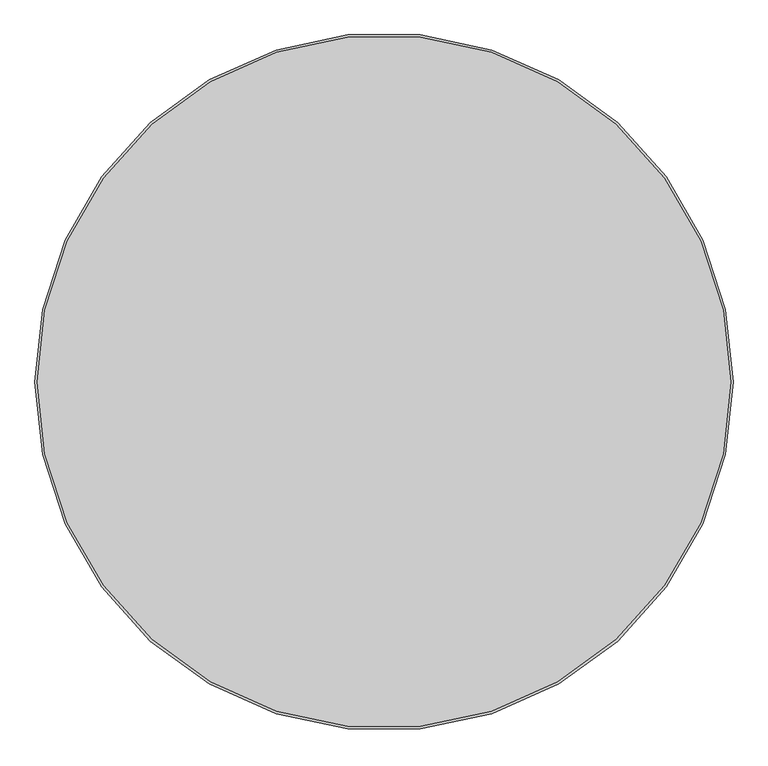
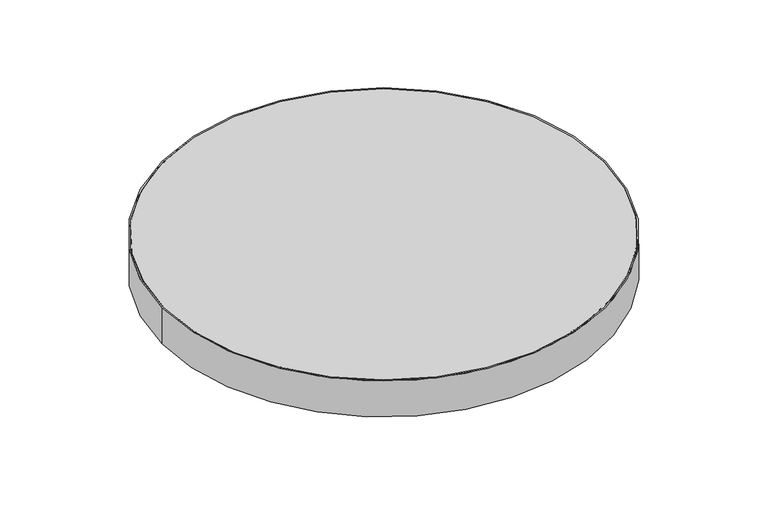
"""IFC4 building model written with IfcOpenShell, lengths in millimetres: proxy geometry."""

import ifcopenshell
import ifcopenshell.guid

model = None  # the IFC model being written
_history = None  # IfcOwnerHistory: only IFC2X3 demands one
_inside = {}  # id of a spatial element -> (the spatial element, [elements in it])
_under = {}  # id of a project, library or spatial element -> (it, [spatial elements below it])
_declared = {}  # id of a project -> (the project, [libraries it declares])
_typed = {}  # id of a type object -> (the type object, [elements of that type])
_made_of = {}  # id of a material, layer set ... -> (it, [elements and type objects made of it])


def new_model(schema):
    """Start an empty IFC model of exactly this schema.

    Asked for "IFC4X3", IfcOpenShell would pick the latest addendum, in which some entities
    have other attributes; the version numbers below select the first issue.
    IFC2X3 requires an IfcOwnerHistory on every rooted entity: one is made here for all.
    """
    global model, _history
    if schema == "IFC4X3":
        model = ifcopenshell.file(schema_version=(4, 3, 0, 0))
    else:
        model = ifcopenshell.file(schema=schema)
    _inside.clear()
    _under.clear()
    _declared.clear()
    _typed.clear()
    _made_of.clear()
    _history = None
    if model.schema == "IFC2X3":
        org = make("IfcOrganization", Name="unknown")
        user = make(
            "IfcPersonAndOrganization",
            ThePerson=make("IfcPerson", FamilyName="unknown"),
            TheOrganization=org,
        )
        app = make(
            "IfcApplication",
            ApplicationDeveloper=org,
            Version="unknown",
            ApplicationFullName="unknown",
            ApplicationIdentifier="unknown",
        )
        _history = make(
            "IfcOwnerHistory",
            OwningUser=user,
            OwningApplication=app,
            ChangeAction="ADDED",
            CreationDate=0,
        )
    return model


def make(cls, **values):
    """One entity of the class cls with the attributes given. An attribute that is None is left unset."""
    return model.create_entity(
        cls, **{name: value for name, value in values.items() if value is not None}
    )


def rooted(cls, **values):
    """An entity with a GlobalId (a new one), such as an element, a storey or a relation."""
    return make(cls, GlobalId=ifcopenshell.guid.new(), OwnerHistory=_history, **values)


def si_unit(unit_type, name, prefix=None):
    """IfcSIUnit, for example si_unit("LENGTHUNIT", "METRE", prefix="MILLI")."""
    return make("IfcSIUnit", UnitType=unit_type, Prefix=prefix, Name=name)


def assignment(units):
    """IfcUnitAssignment: the units of a project."""
    return None if units is None else make("IfcUnitAssignment", Units=units)


def point(xyz):
    """IfcCartesianPoint."""
    return None if xyz is None else make("IfcCartesianPoint", Coordinates=xyz)


def direction(xyz):
    """IfcDirection."""
    return None if xyz is None else make("IfcDirection", DirectionRatios=xyz)


def frame(location, z_axis=None, x_axis=None):
    """IfcAxis2Placement3D, a coordinate frame: its origin and axes. An axis left out is left unset."""
    return make(
        "IfcAxis2Placement3D",
        Location=point(location),
        Axis=direction(z_axis),
        RefDirection=direction(x_axis),
    )


def frame_2d(location, x_axis=None):
    """IfcAxis2Placement2D, a coordinate frame in the plane: its origin and x axis."""
    return make(
        "IfcAxis2Placement2D", Location=point(location), RefDirection=direction(x_axis)
    )


def origin():
    """The frame at (0, 0, 0) with its axes left unset."""
    return frame((0.0, 0.0, 0.0))


def origin_with_axes():
    """The frame at (0, 0, 0) with the z axis (0, 0, 1) and the x axis (1, 0, 0) written out."""
    return frame((0.0, 0.0, 0.0), z_axis=(0.0, 0.0, 1.0), x_axis=(1.0, 0.0, 0.0))


def origin_2d():
    """The frame at (0, 0) in the plane with its x axis left unset."""
    return frame_2d((0.0, 0.0))


def place(relative_to, where):
    """IfcLocalPlacement: puts the frame where relative to a parent placement (None: the world)."""
    return make(
        "IfcLocalPlacement", PlacementRelTo=relative_to, RelativePlacement=where
    )


def context(
    kind, dimensions, precision=None, world=None, true_north=None, identifier=None
):
    """IfcGeometricRepresentationContext, for example the 3D "Model" context."""
    return make(
        "IfcGeometricRepresentationContext",
        ContextIdentifier=identifier,
        ContextType=kind,
        CoordinateSpaceDimension=dimensions,
        Precision=precision,
        WorldCoordinateSystem=world,
        TrueNorth=true_north,
    )


def project(units=None, contexts=None):
    """IfcProject with its units and contexts."""
    return rooted(
        "IfcProject",
        Name="project",
        RepresentationContexts=contexts,
        UnitsInContext=assignment(units),
    )


def spatial(cls, under=None, at=None, **own):
    """A site, building, storey or space (cls), placed at a placement, below another one or the project."""
    s = rooted(cls, ObjectPlacement=at, **own)
    if under is not None:
        _under.setdefault(under.id(), (under, []))[1].append(s)
    return s


def polyline(points):
    """IfcPolyline through the points."""
    return make("IfcPolyline", Points=[point(p) for p in points])


def circle_curve(where, radius):
    """IfcCircle in the frame where."""
    return make("IfcCircle", Position=where, Radius=radius)


def trimmed(basis, trim1, trim2, sense, master):
    """IfcTrimmedCurve: the piece of a basis curve between two trims."""
    return make(
        "IfcTrimmedCurve",
        BasisCurve=basis,
        Trim1=trim1,
        Trim2=trim2,
        SenseAgreement=sense,
        MasterRepresentation=master,
    )


def segment(curve, same_sense, transition):
    """IfcCompositeCurveSegment."""
    return make(
        "IfcCompositeCurveSegment",
        Transition=transition,
        SameSense=same_sense,
        ParentCurve=curve,
    )


def composite_curve(segments, self_intersect=None):
    """IfcCompositeCurve: segments joined end to end."""
    return make("IfcCompositeCurve", Segments=segments, SelfIntersect=self_intersect)


def outline(outer, holes=None, kind="AREA"):
    """IfcArbitraryClosedProfileDef: a profile drawn as a closed curve; with holes, ...WithVoids."""
    if holes is None:
        return make("IfcArbitraryClosedProfileDef", ProfileType=kind, OuterCurve=outer)
    return make(
        "IfcArbitraryProfileDefWithVoids",
        ProfileType=kind,
        OuterCurve=outer,
        InnerCurves=holes,
    )


def extrude(swept, where, along, depth):
    """IfcExtrudedAreaSolid: the profile swept, set in the frame where, extruded along a direction by depth."""
    return make(
        "IfcExtrudedAreaSolid",
        SweptArea=swept,
        Position=where,
        ExtrudedDirection=direction(along),
        Depth=depth,
    )


def shape(context_of_items, identifier, shape_type, items):
    """IfcShapeRepresentation: the items that make up one representation, for example the "Body"."""
    return make(
        "IfcShapeRepresentation",
        ContextOfItems=context_of_items,
        RepresentationIdentifier=identifier,
        RepresentationType=shape_type,
        Items=items,
    )


def source(mapping_origin, context_of_items, identifier, shape_type, items):
    """IfcRepresentationMap: a shape defined once, which mapped items show again and again."""
    return make(
        "IfcRepresentationMap",
        MappingOrigin=mapping_origin,
        MappedRepresentation=shape(context_of_items, identifier, shape_type, items),
    )


def transform(
    local_origin,
    x_axis=None,
    y_axis=None,
    z_axis=None,
    scale=None,
    scale2=None,
    scale3=None,
    uniform=True,
):
    """IfcCartesianTransformationOperator3D, or its non-uniform kind. x_axis, y_axis, z_axis: its Axis1, 2, 3."""
    if uniform:
        return make(
            "IfcCartesianTransformationOperator3D",
            Axis1=direction(x_axis),
            Axis2=direction(y_axis),
            LocalOrigin=point(local_origin),
            Scale=scale,
            Axis3=direction(z_axis),
        )
    return make(
        "IfcCartesianTransformationOperator3DnonUniform",
        Axis1=direction(x_axis),
        Axis2=direction(y_axis),
        LocalOrigin=point(local_origin),
        Scale=scale,
        Axis3=direction(z_axis),
        Scale2=scale2,
        Scale3=scale3,
    )


def mapped(mapping_source, mapping_target):
    """IfcMappedItem: shows the shape of a source again, moved by a transform."""
    return make(
        "IfcMappedItem", MappingSource=mapping_source, MappingTarget=mapping_target
    )


def made_of(thing, what):
    """Note that an element or type object is made of a material, layer set ...; save() writes the relation."""
    if what is not None:
        _made_of.setdefault(what.id(), (what, []))[1].append(thing)
    return thing


def element(
    cls,
    number,
    at=None,
    inside=None,
    cuts=None,
    type_object=None,
    material=None,
    context=None,
    identifier="Body",
    shape_type=None,
    held_by="IfcProductDefinitionShape",
    body=None,
    shapes=None,
    **own,
):
    """One element of the class cls, such as IfcWall. Its Tag is "e" and its number.

    at: its placement. inside: the storey or other place that contains it. cuts: it is an
    opening in that element (IfcRelVoidsElement). A single representation is given by context,
    identifier, shape_type and body (its items); several are given by shapes. held_by: the class
    of the entity that holds the representations. save() writes the other relations.
    """
    e = rooted(cls, Tag="e%d" % number, ObjectPlacement=at, **own)
    if body is not None:
        shapes = [shape(context, identifier, shape_type, body)]
    if shapes is not None:
        e.Representation = make(held_by, Representations=shapes)
    if inside is not None:
        _inside.setdefault(inside.id(), (inside, []))[1].append(e)
    if cuts is not None:
        rooted(
            "IfcRelVoidsElement", RelatingBuildingElement=cuts, RelatedOpeningElement=e
        )
    if type_object is not None:
        _typed.setdefault(type_object.id(), (type_object, []))[1].append(e)
    return made_of(e, material)


def aggregate(whole, parts):
    """IfcRelAggregates: a whole, such as a stair, and the parts it consists of."""
    return rooted("IfcRelAggregates", RelatingObject=whole, RelatedObjects=parts)


def save(model, path):
    """Write the relations noted so far, then the file.

    IfcRelAggregates (storeys below a building ...), IfcRelContainedInSpatialStructure (elements
    in a storey), IfcRelDefinesByType, IfcRelAssociatesMaterial and IfcRelDeclares: one each for
    every whole, place, type object, material and project.
    """
    for whole, parts in _under.values():
        aggregate(whole, parts)
    for where, things in _inside.values():
        rooted(
            "IfcRelContainedInSpatialStructure",
            RelatedElements=things,
            RelatingStructure=where,
        )
    for kind, things in _typed.values():
        rooted("IfcRelDefinesByType", RelatedObjects=things, RelatingType=kind)
    for what, things in _made_of.values():
        rooted("IfcRelAssociatesMaterial", RelatedObjects=things, RelatingMaterial=what)
    for by, libraries in _declared.values():
        rooted("IfcRelDeclares", RelatingContext=by, RelatedDefinitions=libraries)
    model.write(path)


def plane_surface(at):
    """IfcPlane: the flat surface through the origin of the frame at, square to its z axis."""
    return make("IfcPlane", Position=at)


def cylinder_surface(at, radius):
    """IfcCylindricalSurface: all points at the distance radius from the z axis of the frame at."""
    return make("IfcCylindricalSurface", Position=at, Radius=radius)


def revolved_surface(curve, axis_point, axis_direction):
    """IfcSurfaceOfRevolution: the curve turned about the line through axis_point along axis_direction."""
    return make(
        "IfcSurfaceOfRevolution",
        SweptCurve=make("IfcArbitraryOpenProfileDef", ProfileType="CURVE", Curve=curve),
        AxisPosition=make("IfcAxis1Placement", Location=point(axis_point), Axis=direction(axis_direction)),
    )


def advanced_brep(points, edges, surfaces, faces):
    """IfcAdvancedBrep: a solid bounded by faces that lie on surfaces and meet in shared edges.

    An edge is (start, end): straight between two places in points (the first is 0);
    or (start, end, curve); or (start, end, curve, False) where it runs against its curve.
    A face is (place in surfaces, loops), or (place, loops, False) where it looks against
    its surface's normal. A loop lists edges by number (the first is 1), with a minus sign
    where the edge is run from its end to its start. The first loop is the outer one.
    """
    corners = [point(p) for p in points]
    vertices = [make("IfcVertexPoint", VertexGeometry=c) for c in corners]
    made = []
    for start, end, *more in edges:
        made.append(
            make(
                "IfcEdgeCurve",
                EdgeStart=vertices[start],
                EdgeEnd=vertices[end],
                EdgeGeometry=more[0] if more else make("IfcPolyline", Points=[corners[start], corners[end]]),
                SameSense=more[1] if len(more) > 1 else True,
            )
        )
    hull = []
    for where, loops, *sense in faces:
        bounds = []
        for j, loop in enumerate(loops):
            ring = [make("IfcOrientedEdge", EdgeElement=made[abs(k) - 1], Orientation=k > 0) for k in loop]
            bounds.append(
                make(
                    "IfcFaceOuterBound" if j == 0 else "IfcFaceBound",
                    Bound=make("IfcEdgeLoop", EdgeList=ring),
                    Orientation=True,
                )
            )
        hull.append(make("IfcAdvancedFace", Bounds=bounds, FaceSurface=surfaces[where], SameSense=sense[0] if sense else True))
    return make("IfcAdvancedBrep", Outer=make("IfcClosedShell", CfsFaces=hull))


def generic_models_db04d356(model_context):
    return source(origin(), model_context, "Body", "SolidModel", [
        extrude(outline(composite_curve([segment(trimmed(circle_curve(origin_2d(), 576.0), [point((-576.0, 0.0))], [point((576.0, 0.0))], False, "CARTESIAN"), True, "CONTINUOUS"), segment(trimmed(circle_curve(origin_2d(), 576.0), [point((576.0, 0.0))], [point((-576.0, 0.0))], False, "CARTESIAN"), True, "CONTINUOUS")], self_intersect=False)), frame((0.0, 0.0, 96.0), z_axis=(0.0, 0.0, 1.0), x_axis=(1.0, 0.0, 0.0)), (0.0, 0.0, 1.0), 4.0),
        advanced_brep(
        [(-580.0, 0.0, 100.0), (580.0, 0.0, 100.0), (576.0, 0.0, 100.0), (-576.0, 0.0, 100.0), (-580.0, 0.0, 0.0), (580.0, 0.0, 0.0), (-576.0, 0.0, 96.0), (576.0, 0.0, 96.0)],
        [
            (0, 1, circle_curve(frame((0.0, 0.0, 100.0), z_axis=(0.0, 0.0, 1.0), x_axis=(1.0, 0.0, 0.0)), 580.0)),
            (1, 0, circle_curve(frame((0.0, 0.0, 100.0), z_axis=(0.0, 0.0, 1.0), x_axis=(1.0, 0.0, 0.0)), 580.0)),
            (2, 3, circle_curve(frame((0.0, 0.0, 100.0), z_axis=(0.0, 0.0, -1.0), x_axis=(1.0, 0.0, 0.0)), 576.0)),
            (3, 2, circle_curve(frame((0.0, 0.0, 100.0), z_axis=(0.0, 0.0, -1.0), x_axis=(1.0, 0.0, 0.0)), 576.0)),
            (4, 5, circle_curve(frame((0.0, 0.0, 0.0), z_axis=(0.0, 0.0, -1.0), x_axis=(1.0, 0.0, 0.0)), 580.0)),
            (5, 4, circle_curve(frame((0.0, 0.0, 0.0), z_axis=(0.0, 0.0, -1.0), x_axis=(1.0, 0.0, 0.0)), 580.0)),
            (0, 4),
            (5, 1),
            (6, 7, circle_curve(frame((0.0, 0.0, 96.0), z_axis=(0.0, 0.0, 1.0), x_axis=(1.0, 0.0, 0.0)), 576.0)),
            (7, 6, circle_curve(frame((0.0, 0.0, 96.0), z_axis=(0.0, 0.0, 1.0), x_axis=(1.0, 0.0, 0.0)), 576.0)),
            (6, 3),
            (2, 7),
        ],
        [
            plane_surface(frame((580.0, 0.0, 100.0), z_axis=(0.0, 0.0, 1.0), x_axis=(0.0, 1.0, 0.0))),
            plane_surface(frame((580.0, 0.0, 0.0), z_axis=(0.0, 0.0, -1.0), x_axis=(0.0, -1.0, 0.0))),
            cylinder_surface(origin_with_axes(), 580.0),
            plane_surface(frame((576.0, 0.0, 96.0), z_axis=(0.0, 0.0, 1.0), x_axis=(0.0, -1.0, 0.0))),
            revolved_surface(polyline([(576.0, 0.0, 100.0), (576.0, 0.0, 96.0)]), (0.0, 0.0, 96.0), (0.0, 0.0, 1.0)),
        ],
        [
            (0, [[1, 2], [3, 4]]),
            (1, [[5, 6]]),
            (2, [[-1, 7, -6, 8]]),
            (2, [[-2, -8, -5, -7]]),
            (3, [[9, 10]]),
            (4, [[-9, 11, -3, 12]]),
            (4, [[-10, -12, -4, -11]]),
        ],
    ),
    ])


if __name__ == "__main__":
    model = new_model("IFC4")
    model_context = context("Model", 3, world=origin())
    ifc_project = project(units=[si_unit("LENGTHUNIT", "METRE", prefix="MILLI")], contexts=[model_context])
    site = spatial("IfcSite", under=ifc_project)
    building = spatial("IfcBuilding", under=site)
    placement = place(None, origin())
    generic_models_shape = generic_models_db04d356(model_context)
    element("IfcBuildingElementProxy", 1, Name="Generic Models", at=placement, inside=building, context=model_context, shape_type="MappedRepresentation", body=[
        mapped(generic_models_shape, transform((0.0, 0.0, 0.0), x_axis=(1.0, 0.0, 0.0), y_axis=(0.0, 1.0, 0.0), z_axis=(0.0, 0.0, 1.0))),
    ])
    save(model, "model.ifc")
